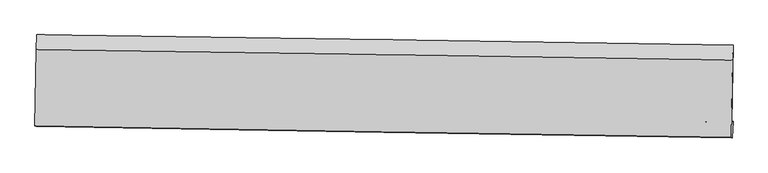
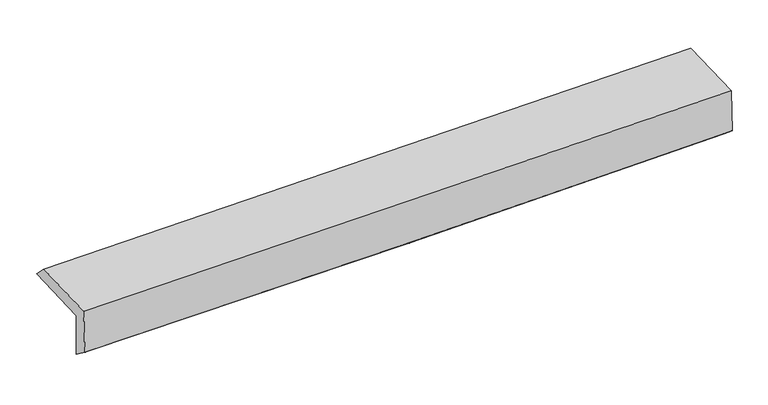
"""IFC4 building model written with IfcOpenShell, lengths in millimetres: proxy geometry."""

from ifc_helpers import new_model, si_unit, frame, origin, place, context, project, spatial, source, transform, mapped, element, save
from ifc_brep_helpers import plane_surface, spline_curve, spline_surface, advanced_brep


def generic_models_1e962f22(model_context):
    return source(origin(), model_context, "Body", "AdvancedBrep", [
        advanced_brep(
        [(-3024.4443498, -1762.5096298, 1963.6854086), (-3013.5315401, -1099.1303979, 1976.6320257), (3011.2871936, -1189.6594532, 2127.7149247), (3000.8407934, -1855.9145099, 2107.3884799), (-3014.0736029, -1747.7625805, 1569.9917557), (3011.1901933, -1848.3361786, 1709.6328171), (-3019.3947506, -1894.4467492, 1680.2547935), (3005.6445767, -1995.2220301, 1831.2923422), (-3029.8611163, -1889.8203252, 2090.4433975), (2995.4976818, -1990.7375212, 2228.8959736), (-3018.8734775, -1227.8909466, 2099.5231144), (3006.3354567, -1318.0536157, 2238.1146964)],
        [
            (0, 1),
            (1, 2, spline_curve(3, [(-3013.5315401, -1099.1303979, 1976.6320257), (-2009.111590333, -1111.694865033, 1992.195044827), (-1004.82996786, -1125.521246341, 2012.566914616), (1003.442939615, -1155.697632445, 2062.928011837), (2007.434228166, -1172.047602899, 2092.917108518), (3011.2871936, -1189.6594532, 2127.7149247)], [4, 2, 4], [0.0, 9.887966878720203, 19.775799010336325])),
            (2, 3),
            (3, 0, spline_curve(3, [(3000.8407934, -1855.9145099, 2107.3884799), (1996.956424871, -1838.827709747, 2071.356480332), (992.910567896, -1822.500617851, 2041.365265217), (-1015.517809, -1791.365636804, 1993.464076997), (-2019.900332747, -1776.557769224, 1975.554268469), (-3024.4443498, -1762.5096298, 1963.6854086)], [4, 2, 4], [0.0, 9.887832131616122, 19.775799010336325])),
            (4, 0),
            (3, 5),
            (5, 4, spline_curve(3, [(3011.1901933, -1848.3361786, 1709.6328171), (2007.285631102, -1832.233895127, 1673.762676749), (1003.231456055, -1815.801679662, 1644.190887655), (-1005.18980551, -1782.277155711, 1597.643695585), (-2009.5568955, -1765.18483854, 1580.66846403), (-3014.0736029, -1747.7625805, 1569.9917557)], [4, 2, 4], [0.0, 9.888145403656928, 19.776425558687073])),
            (6, 4),
            (5, 7),
            (7, 6, spline_curve(3, [(3005.6445767, -1995.2220301, 1831.2923422), (2001.70004771, -1979.155474637, 1796.487049713), (997.644594336, -1962.724316579, 1766.497993992), (-1010.701844881, -1929.132566336, 1716.152013164), (-2014.992834053, -1911.971964135, 1695.795219389), (-3019.3947506, -1894.4467492, 1680.2547935)], [4, 2, 4], [0.0, 9.88814510073027, 19.77642495282963])),
            (8, 6),
            (7, 9),
            (9, 8, spline_curve(3, [(2995.4976818, -1990.7375212, 2228.8959736), (1991.266768324, -1974.544271047, 2205.324087577), (987.041499645, -1958.037938701, 2182.000506843), (-1021.411433316, -1924.398882091, 2135.849641297), (-2025.639097298, -1907.26614876, 2113.022363333), (-3029.8611163, -1889.8203252, 2090.4433975)], [4, 2, 4], [0.0, 9.888062700172668, 19.776260150591508])),
            (10, 8),
            (9, 11),
            (11, 10, spline_curve(3, [(3006.3354567, -1318.0536157, 2238.1146964), (2002.178111748, -1300.735307956, 2214.559665812), (998.002115886, -1284.562641918, 2191.232929331), (-1010.400861417, -1254.5083875, 2145.035729093), (-2014.627843982, -1240.626830738, 2122.165271566), (-3018.8734775, -1227.8909466, 2099.5231144)], [4, 2, 4], [0.0, 9.887783667809762, 19.775702082063162])),
            (1, 10),
            (11, 2),
        ],
        [
            spline_surface(3, 3, [[(-3024.4443498, -1762.5096298, 1963.6854086), (-2019.900332771, -1776.557769145, 1975.554268308), (-1015.517808876, -1791.365636953, 1993.4640769), (992.910567773, -1822.500617701, 2041.365265313), (1996.956424977, -1838.827709909, 2071.356480482), (3000.8407934, -1855.9145099, 2107.3884799)], [(-3020.806746575, -1541.383219177, 1968.000947615), (-2016.304085345, -1554.936801063, 1981.101193794), (-1011.955195202, -1569.417506717, 1999.831689434), (996.42135839, -1600.232955939, 2048.552847513), (2000.44902608, -1616.567674214, 2078.543356493), (3004.322926825, -1633.829491013, 2114.163961493)], [(-3017.169143325, -1320.256808523, 1972.316486685), (-2012.707837895, -1333.31583295, 1986.648119333), (-1008.392581536, -1347.469376544, 2006.199301988), (999.932149, -1377.965294241, 2055.740429732), (2003.941627109, -1394.307638479, 2085.730232524), (3007.805060175, -1411.744472087, 2120.939443107)], [(-3013.5315401, -1099.1303979, 1976.6320257), (-2009.111590469, -1111.694864869, 1992.195044818), (-1004.829967862, -1125.521246308, 2012.566914521), (1003.442939618, -1155.697632478, 2062.928011931), (2007.434228212, -1172.047602784, 2092.917108535), (3011.2871936, -1189.6594532, 2127.7149247)]], [4, 4], [4, 2, 4], [0.0, 2.187395881886532], [0.0, 9.887966878720203, 19.775799010336325]),
            spline_surface(3, 3, [[(-3014.0736029, -1747.7625805, 1569.9917557), (-2009.556895562, -1765.184838678, 1580.668464054), (-1005.189805389, -1782.277155827, 1597.643695559), (1003.231455934, -1815.801679545, 1644.190887681), (2007.285631159, -1832.233895075, 1673.762676659), (3011.1901933, -1848.3361786, 1709.6328171)], [(-3017.530518527, -1752.678263584, 1701.222973335), (-2013.004707959, -1768.975815484, 1712.297065474), (-1008.632473223, -1785.306649557, 1729.583822664), (999.791159875, -1818.034658951, 1776.582346883), (2003.842562421, -1834.431833334, 1806.293944613), (3007.740393323, -1850.862289015, 1842.218038046)], [(-3020.987434173, -1757.593946716, 1832.454190965), (-2016.452520375, -1772.766792339, 1843.925666888), (-1012.075141043, -1788.336143224, 1861.523949795), (996.350863831, -1820.267638295, 1908.973806111), (2000.399493715, -1836.62977165, 1938.825212528), (3004.290593377, -1853.388399485, 1974.803258954)], [(-3024.4443498, -1762.5096298, 1963.6854086), (-2019.900332771, -1776.557769145, 1975.554268308), (-1015.517808876, -1791.365636953, 1993.4640769), (992.910567773, -1822.500617701, 2041.365265313), (1996.956424977, -1838.827709909, 2071.356480482), (3000.8407934, -1855.9145099, 2107.3884799)]], [4, 4], [4, 2, 4], [0.0, 1.3015430103078134], [0.0, 9.888280155030145, 19.776425558687073]),
            spline_surface(3, 3, [[(-3019.3947506, -1894.4467492, 1680.2547935), (-2014.992834143, -1911.971964051, 1695.795219294), (-1010.701844993, -1929.132566268, 1716.152013166), (997.644594447, -1962.724316646, 1766.497993989), (2001.700047671, -1979.155474698, 1796.487049708), (3005.6445767, -1995.2220301, 1831.2923422)], [(-3017.621034689, -1845.552026309, 1643.500447577), (-2013.180854605, -1863.042922269, 1657.419634225), (-1008.864498442, -1880.180762781, 1676.649240641), (999.506881626, -1913.750104272, 1725.728958564), (2003.561908816, -1930.181614828, 1755.578925372), (3007.493115549, -1946.260079604, 1790.739167181)], [(-3015.847318811, -1796.657303391, 1606.746101623), (-2011.3688751, -1814.11388046, 1619.044049124), (-1007.02715194, -1831.228959315, 1637.146468084), (1001.369168755, -1864.775891919, 1684.959923106), (2005.423770014, -1881.207754945, 1714.670800994), (3009.341654451, -1897.298129096, 1750.185992119)], [(-3014.0736029, -1747.7625805, 1569.9917557), (-2009.556895562, -1765.184838678, 1580.668464054), (-1005.189805389, -1782.277155827, 1597.643695559), (1003.231455934, -1815.801679545, 1644.190887681), (2007.285631159, -1832.233895075, 1673.762676659), (3011.1901933, -1848.3361786, 1709.6328171)]], [4, 4], [4, 2, 4], [0.0, 0.6234044087882789], [0.0, 9.888279852099359, 19.77642495282963]),
            spline_surface(3, 3, [[(-3029.8611163, -1889.8203252, 2090.4433975), (-2025.639097259, -1907.266148754, 2113.022363408), (-1021.411433272, -1924.398881994, 2135.849641335), (987.0414996, -1958.037938798, 2182.000506806), (1991.266768276, -1974.544270884, 2205.324087572), (2995.4976818, -1990.7375212, 2228.8959736)], [(-3026.37232773, -1891.362466541, 1953.713862846), (-2022.090342884, -1908.834753861, 1973.946648716), (-1017.841570507, -1925.976776755, 1995.950431952), (990.575864555, -1959.60006475, 2043.499669207), (1994.744528089, -1976.081338842, 2069.045074948), (2998.879980115, -1992.23235752, 2096.361429797)], [(-3022.88353917, -1892.904607859, 1816.984328154), (-2018.541588518, -1910.403358944, 1834.870933986), (-1014.271707758, -1927.554671508, 1856.051222549), (994.110229493, -1961.162190694, 1904.998831588), (1998.222287858, -1977.618406741, 1932.766062332), (3002.262278385, -1993.72719378, 1963.826886003)], [(-3019.3947506, -1894.4467492, 1680.2547935), (-2014.992834143, -1911.971964051, 1695.795219294), (-1010.701844993, -1929.132566268, 1716.152013166), (997.644594447, -1962.724316646, 1766.497993989), (2001.700047671, -1979.155474698, 1796.487049708), (3005.6445767, -1995.2220301, 1831.2923422)]], [4, 4], [4, 2, 4], [0.0, 1.3706121843074044], [0.0, 9.88819745041884, 19.776260150591508]),
            spline_surface(3, 3, [[(-3018.8734775, -1227.8909466, 2099.5231144), (-2014.627843884, -1240.626830784, 2122.1652717), (-1010.400861545, -1254.508387573, 2145.035729101), (998.002116014, -1284.562641845, 2191.232929323), (2002.178111741, -1300.735308062, 2214.559665922), (3006.3354567, -1318.0536157, 2238.1146964)], [(-3022.53602377, -1448.534072789, 2096.49654209), (-2018.29826168, -1462.839936763, 2119.117635593), (-1014.071052131, -1477.805219028, 2141.97369984), (994.348577199, -1509.054407477, 2188.155455145), (1998.540997267, -1525.338295649, 2211.481139799), (3002.722865081, -1542.28158418, 2235.041788794)], [(-3026.19857003, -1669.177199011, 2093.46996981), (-2021.968679464, -1685.053042775, 2116.069999515), (-1017.741242685, -1701.10205054, 2138.911670596), (990.695038416, -1733.546173166, 2185.077980984), (1994.90388275, -1749.941283297, 2208.402613695), (2999.110273419, -1766.50955272, 2231.968881206)], [(-3029.8611163, -1889.8203252, 2090.4433975), (-2025.639097259, -1907.266148754, 2113.022363408), (-1021.411433272, -1924.398881994, 2135.849641335), (987.0414996, -1958.037938798, 2182.000506806), (1991.266768276, -1974.544270884, 2205.324087572), (2995.4976818, -1990.7375212, 2228.8959736)]], [4, 4], [4, 2, 4], [0.0, 2.2041857711492003], [0.0, 9.8879184142534, 19.775702082063162]),
            spline_surface(3, 3, [[(-3013.5315401, -1099.1303979, 1976.6320257), (-2009.111590469, -1111.694864869, 1992.195044818), (-1004.829967862, -1125.521246308, 2012.566914521), (1003.442939618, -1155.697632478, 2062.928011931), (2007.434228212, -1172.047602784, 2092.917108535), (3011.2871936, -1189.6594532, 2127.7149247)], [(-3015.312185909, -1142.0505808, 2017.595721936), (-2010.950341616, -1154.67218684, 2035.518453782), (-1006.686932432, -1168.516960087, 2056.723186052), (1001.629331741, -1198.652635625, 2105.696317733), (2005.682189362, -1214.943504545, 2133.464627653), (3009.636614608, -1232.457507368, 2164.514848589)], [(-3017.092831691, -1184.9707637, 2058.559418164), (-2012.789092737, -1197.649508813, 2078.841862736), (-1008.543896975, -1211.512673794, 2100.879457571), (999.815723891, -1241.607638699, 2148.464623522), (2003.93015059, -1257.839406301, 2174.012146804), (3007.986035692, -1275.255561532, 2201.314772511)], [(-3018.8734775, -1227.8909466, 2099.5231144), (-2014.627843884, -1240.626830784, 2122.1652717), (-1010.400861545, -1254.508387573, 2145.035729101), (998.002116014, -1284.562641845, 2191.232929323), (2002.178111741, -1300.735308062, 2214.559665922), (3006.3354567, -1318.0536157, 2238.1146964)]], [4, 4], [4, 2, 4], [0.0, 0.6018619176491097], [0.0, 9.887631499530448, 19.775128256527154]),
            plane_surface(frame((3005.1326493, -1699.6538848, 2040.506539), z_axis=(0.9995344070189298, -0.016455861712102244, 0.025693847524822563), x_axis=(0.025510198660185224, -0.01127445539416184, -0.9996109825426505))),
            plane_surface(frame((-3020.0298062, -1603.5934382, 1896.7550826), z_axis=(-0.9995262214970766, 0.016944007645009133, -0.025695002329298982), x_axis=(-0.016444977581834046, -0.9996744120383467, -0.019509808510560975))),
        ],
        [
            (0, [[1, 2, 3, 4]]),
            (1, [[5, -4, 6, 7]]),
            (2, [[8, -7, 9, 10]]),
            (3, [[11, -10, 12, 13]]),
            (4, [[14, -13, 15, 16]]),
            (5, [[17, -16, 18, -2]]),
            (6, [[-12, -9, -6, -3, -18, -15]]),
            (7, [[-1, -5, -8, -11, -14, -17]]),
        ],
    ),
    ])


if __name__ == "__main__":
    model = new_model("IFC4")
    model_context = context("Model", 3, world=origin())
    ifc_project = project(units=[si_unit("LENGTHUNIT", "METRE", prefix="MILLI")], contexts=[model_context])
    site = spatial("IfcSite", under=ifc_project)
    building = spatial("IfcBuilding", under=site)
    placement = place(None, origin())
    generic_models_shape = generic_models_1e962f22(model_context)
    element("IfcBuildingElementProxy", 1, Name="Generic Models", at=placement, inside=building, context=model_context, shape_type="MappedRepresentation", body=[
        mapped(generic_models_shape, transform((0.0, 0.0, 0.0), x_axis=(1.0, 0.0, 0.0), y_axis=(0.0, 1.0, 0.0), z_axis=(0.0, 0.0, 1.0))),
    ])
    save(model, "model.ifc")
